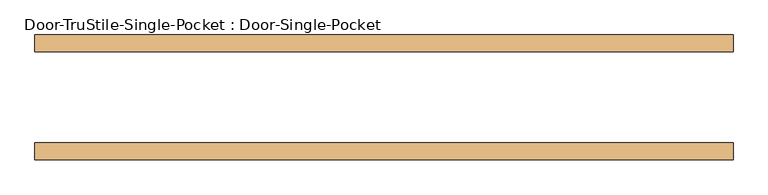
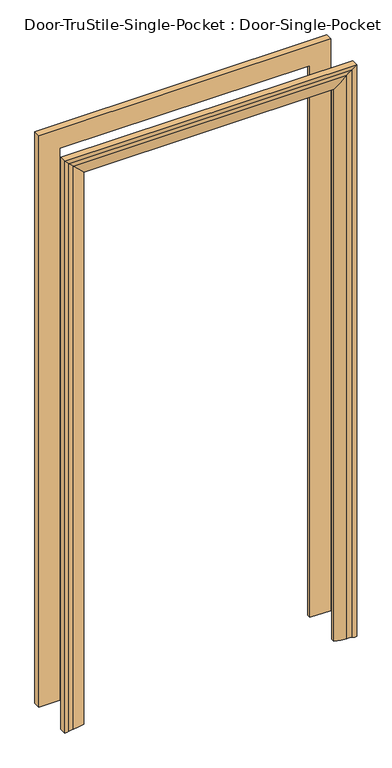
"""IFC4 building model written with IfcOpenShell, lengths in millimetres: door geometry, Door-TruStile-Single-Pocket : Door-Single-Pocket."""

from ifc_helpers import new_model, si_unit, frame, origin, place, context, project, spatial, polyline, circle_curve, ellipse_curve, source, transform, mapped, element, save
from ifc_brep_helpers import plane_surface, cylinder_surface, revolved_surface, advanced_brep


def door_trustile_single_pocket_door_single_pocket_2fc93507(model_context):
    return source(origin(), model_context, "Body", "AdvancedBrep", [
        advanced_brep(
        [(-533.4, -69.85, 0.0), (-457.2, -69.85, 0.0), (-457.2, -82.55, 0.0), (-500.4091669, -89.656654, 0.0), (-517.9106804, -92.7334981, 0.0), (-533.4, -95.25, 0.0), (-533.4, -69.85, 2209.8), (533.4, -69.85, 2209.8), (533.4, -69.85, 0.0), (457.2, -69.85, 0.0), (457.2, -69.85, 2133.6), (-457.2, -69.85, 2133.6), (-457.2, -82.55, 2133.6), (-500.4091669, -89.656654, 2176.8091669), (-517.9106804, -92.7334981, 2194.3106804), (-533.4, -95.25, 2209.8), (533.4, -95.25, 2209.8), (533.4, -95.25, 0.0), (517.9106804, -92.7334981, 0.0), (500.4091669, -89.656654, 0.0), (457.2, -82.55, 0.0), (457.2, -82.55, 2133.6), (517.9106804, -92.7334981, 2194.3106804), (500.4091669, -89.656654, 2176.8091669)],
        [
            (0, 1),
            (1, 2),
            (2, 3, circle_curve(frame((-500.6371432, 46.6408202, 0.0), z_axis=(0.0, 0.0, -1.0), x_axis=(-1.0, 0.0, 0.0)), 136.2976648)),
            (3, 4, circle_curve(frame((-500.3225129, -141.4634863, 0.0), z_axis=(0.0, 0.0, 1.0), x_axis=(-1.0, 0.0, 0.0)), 51.8069048)),
            (4, 5, circle_curve(frame((-532.3670501, -52.6805064, 0.0), z_axis=(0.0, 0.0, -1.0), x_axis=(-1.0, 0.0, 0.0)), 42.582024)),
            (5, 0),
            (0, 6),
            (6, 7),
            (7, 8),
            (8, 9),
            (9, 10),
            (10, 11),
            (11, 1),
            (11, 12),
            (12, 2),
            (12, 13, ellipse_curve(frame((-500.6371432, 46.6408202, 2177.0371432), z_axis=(-0.707106781186552, 0.0, -0.707106781186543), x_axis=(0.7071067811865429, 0.0, -0.707106781186552)), 192.7540061, 136.2976648)),
            (13, 3),
            (13, 14, ellipse_curve(frame((-500.3225129, -141.4634863, 2176.7225129), z_axis=(0.707106781186552, 0.0, 0.707106781186543), x_axis=(-0.7071067811865429, 0.0, 0.707106781186552)), 73.2660273, 51.8069048)),
            (14, 4),
            (14, 15, ellipse_curve(frame((-532.3670501, -52.6805064, 2208.7670501), z_axis=(-0.707106781186552, 0.0, -0.707106781186543), x_axis=(0.7071067811865429, 0.0, -0.707106781186552)), 60.2200758, 42.582024)),
            (15, 5),
            (15, 6),
            (7, 16),
            (16, 17),
            (17, 8),
            (17, 18, circle_curve(frame((532.3670501, -52.6805064, 0.0), z_axis=(0.0, 0.0, -1.0), x_axis=(1.0, 0.0, 0.0)), 42.582024)),
            (18, 19, circle_curve(frame((500.3225129, -141.4634863, 0.0), z_axis=(0.0, 0.0, 1.0), x_axis=(1.0, 0.0, 0.0)), 51.8069048)),
            (19, 20, circle_curve(frame((500.6371432, 46.6408202, 0.0), z_axis=(0.0, 0.0, -1.0), x_axis=(1.0, 0.0, 0.0)), 136.2976648)),
            (20, 9),
            (21, 10),
            (20, 21),
            (16, 22, ellipse_curve(frame((532.3670501, -52.6805064, 2208.7670501), z_axis=(0.707106781186543, 0.0, -0.707106781186552), x_axis=(0.707106781186552, 0.0, 0.7071067811865429)), 60.2200758, 42.582024)),
            (22, 18),
            (22, 23, ellipse_curve(frame((500.3225129, -141.4634863, 2176.7225129), z_axis=(-0.707106781186543, 0.0, 0.707106781186552), x_axis=(-0.707106781186552, 0.0, -0.7071067811865429)), 73.2660273, 51.8069048)),
            (23, 19),
            (23, 21, ellipse_curve(frame((500.6371432, 46.6408202, 2177.0371432), z_axis=(0.707106781186543, 0.0, -0.707106781186552), x_axis=(0.707106781186552, 0.0, 0.7071067811865429)), 192.7540061, 136.2976648)),
            (15, 16),
            (14, 22),
            (13, 23),
            (12, 21),
        ],
        [
            plane_surface(frame((-457.2, -69.85, 0.0), z_axis=(0.0, 0.0, -1.0), x_axis=(0.0, 1.0, 0.0))),
            plane_surface(frame((-533.4, -69.85, 0.0), z_axis=(0.0, 1.0, 0.0), x_axis=(0.0, 0.0, 1.0))),
            plane_surface(frame((-457.2, -69.85, 0.0), z_axis=(1.0, 0.0, 0.0), x_axis=(0.0, 0.0, 1.0))),
            cylinder_surface(frame((-500.6371432, 46.6408202, 0.0), z_axis=(0.0, 0.0, -1.0), x_axis=(-1.0, 0.0, 0.0)), 136.2976648),
            revolved_surface(polyline([(-552.1294177, -141.4634863, 2228.5294176344287), (-552.1294177, -141.4634863, 0.0)]), (-500.3225129, -141.4634863, 0.0), (0.0, 0.0, 1.0)),
            cylinder_surface(frame((-532.3670501, -52.6805064, 0.0), z_axis=(0.0, 0.0, -1.0), x_axis=(-1.0, 0.0, 0.0)), 42.582024),
            plane_surface(frame((-533.4, -95.25, 0.0), z_axis=(-1.0, 0.0, 0.0), x_axis=(0.0, 0.0, 1.0))),
            plane_surface(frame((533.4, -95.25, 2209.8), z_axis=(1.0, 0.0, 0.0), x_axis=(0.0, 0.0, -1.0))),
            plane_surface(frame((457.2, -69.85, 0.0), z_axis=(0.0, 0.0, -1.0), x_axis=(0.0, 1.0, 0.0))),
            plane_surface(frame((457.2, -69.85, 2133.6), z_axis=(-1.0, 0.0, 0.0), x_axis=(0.0, 0.0, -1.0))),
            cylinder_surface(frame((532.3670501, -52.6805064, 2133.6), z_axis=(0.0, 0.0, 1.0), x_axis=(1.0, 0.0, 0.0)), 42.582024),
            revolved_surface(polyline([(552.1294177, -141.4634863, 0.0), (552.1294177, -141.4634863, 2228.5294176344282)]), (500.3225129, -141.4634863, 2133.6), (0.0, 0.0, -1.0)),
            cylinder_surface(frame((500.6371432, 46.6408202, 2133.6), z_axis=(0.0, 0.0, 1.0), x_axis=(1.0, 0.0, 0.0)), 136.2976648),
            plane_surface(frame((-533.4, -95.25, 2209.8), z_axis=(0.0, 0.0, 1.0), x_axis=(1.0, 0.0, 0.0))),
            cylinder_surface(frame((-457.2, -52.6805064, 2208.7670501), z_axis=(-1.0, 0.0, 0.0), x_axis=(0.0, 0.0, 1.0)), 42.582024),
            revolved_surface(polyline([(552.129417634429, -141.4634863, 2228.5294177), (-552.1294176344284, -141.4634863, 2228.5294177)]), (-457.2, -141.4634863, 2176.7225129), (1.0, 0.0, 0.0)),
            cylinder_surface(frame((-457.2, 46.6408202, 2177.0371432), z_axis=(-1.0, 0.0, 0.0), x_axis=(0.0, 0.0, 1.0)), 136.2976648),
            plane_surface(frame((-457.2, -69.85, 2133.6), z_axis=(0.0, 0.0, -1.0), x_axis=(1.0, 0.0, 0.0))),
        ],
        [
            (0, [[1, 2, 3, 4, 5, 6]]),
            (1, [[-1, 7, 8, 9, 10, 11, 12, 13]]),
            (2, [[-2, -13, 14, 15]]),
            (3, [[-3, -15, 16, 17]]),
            (4, [[-4, -17, 18, 19]]),
            (5, [[-5, -19, 20, 21]]),
            (6, [[-6, -21, 22, -7]]),
            (7, [[23, 24, 25, -9]]),
            (8, [[-25, 26, 27, 28, 29, -10]]),
            (9, [[30, -11, -29, 31]]),
            (10, [[32, 33, -26, -24]]),
            (11, [[34, 35, -27, -33]]),
            (12, [[36, -31, -28, -35]]),
            (13, [[-22, 37, -23, -8]]),
            (14, [[-20, 38, -32, -37]]),
            (15, [[-18, 39, -34, -38]]),
            (16, [[-16, 40, -36, -39]]),
            (17, [[-14, -12, -30, -40]]),
        ],
    ),
        advanced_brep(
        [(-533.4, 69.85, 0.0), (-533.4, 95.25, 0.0), (-517.9106804, 92.7334981, 0.0), (-500.4091669, 89.656654, 0.0), (-457.2, 82.55, 0.0), (-457.2, 69.85, 0.0), (-533.4, 69.85, 2209.8), (-533.4, 95.25, 2209.8), (-517.9106804, 92.7334981, 2194.3106804), (-500.4091669, 89.656654, 2176.8091669), (-457.2, 82.55, 2133.6), (-457.2, 69.85, 2133.6), (457.2, 69.85, 2133.6), (457.2, 69.85, 0.0), (533.4, 69.85, 0.0), (533.4, 69.85, 2209.8), (457.2, 82.55, 2133.6), (457.2, 82.55, 0.0), (500.4091669, 89.656654, 0.0), (517.9106804, 92.7334981, 0.0), (533.4, 95.25, 0.0), (533.4, 95.25, 2209.8), (500.4091669, 89.656654, 2176.8091669), (517.9106804, 92.7334981, 2194.3106804)],
        [
            (0, 1),
            (1, 2, circle_curve(frame((-532.3670501, 52.6805064, 0.0), z_axis=(0.0, 0.0, -1.0), x_axis=(-1.0, 0.0, 0.0)), 42.582024)),
            (2, 3, circle_curve(frame((-500.3225129, 141.4634863, 0.0), z_axis=(0.0, 0.0, 1.0), x_axis=(-1.0, 0.0, 0.0)), 51.8069048)),
            (3, 4, circle_curve(frame((-500.6371432, -46.6408202, 0.0), z_axis=(0.0, 0.0, -1.0), x_axis=(-1.0, 0.0, 0.0)), 136.2976648)),
            (4, 5),
            (5, 0),
            (0, 6),
            (6, 7),
            (7, 1),
            (7, 8, ellipse_curve(frame((-532.3670501, 52.6805064, 2208.7670501), z_axis=(-0.707106781186543, 0.0, -0.707106781186552), x_axis=(0.707106781186552, 0.0, -0.7071067811865429)), 60.2200758, 42.582024)),
            (8, 2),
            (8, 9, ellipse_curve(frame((-500.3225129, 141.4634863, 2176.7225129), z_axis=(0.707106781186543, 0.0, 0.707106781186552), x_axis=(-0.707106781186552, 0.0, 0.7071067811865429)), 73.2660273, 51.8069048)),
            (9, 3),
            (9, 10, ellipse_curve(frame((-500.6371432, -46.6408202, 2177.0371432), z_axis=(-0.707106781186543, 0.0, -0.707106781186552), x_axis=(0.707106781186552, 0.0, -0.7071067811865429)), 192.7540061, 136.2976648)),
            (10, 4),
            (10, 11),
            (11, 5),
            (11, 12),
            (12, 13),
            (13, 14),
            (14, 15),
            (15, 6),
            (12, 16),
            (16, 17),
            (17, 13),
            (17, 18, circle_curve(frame((500.6371432, -46.6408202, 0.0), z_axis=(0.0, 0.0, -1.0), x_axis=(1.0, 0.0, 0.0)), 136.2976648)),
            (18, 19, circle_curve(frame((500.3225129, 141.4634863, 0.0), z_axis=(0.0, 0.0, 1.0), x_axis=(1.0, 0.0, 0.0)), 51.8069048)),
            (19, 20, circle_curve(frame((532.3670501, 52.6805064, 0.0), z_axis=(0.0, 0.0, -1.0), x_axis=(1.0, 0.0, 0.0)), 42.582024)),
            (20, 14),
            (21, 15),
            (20, 21),
            (16, 22, ellipse_curve(frame((500.6371432, -46.6408202, 2177.0371432), z_axis=(0.707106781186552, 0.0, -0.707106781186543), x_axis=(0.7071067811865429, 0.0, 0.707106781186552)), 192.7540061, 136.2976648)),
            (22, 18),
            (22, 23, ellipse_curve(frame((500.3225129, 141.4634863, 2176.7225129), z_axis=(-0.707106781186552, 0.0, 0.707106781186543), x_axis=(-0.7071067811865429, 0.0, -0.707106781186552)), 73.2660273, 51.8069048)),
            (23, 19),
            (23, 21, ellipse_curve(frame((532.3670501, 52.6805064, 2208.7670501), z_axis=(0.707106781186552, 0.0, -0.707106781186543), x_axis=(0.7071067811865429, 0.0, 0.707106781186552)), 60.2200758, 42.582024)),
            (21, 7),
            (23, 8),
            (22, 9),
            (16, 10),
        ],
        [
            plane_surface(frame((-457.2, 69.85, 0.0), z_axis=(0.0, 0.0, -1.0), x_axis=(0.0, 1.0, 0.0))),
            plane_surface(frame((-533.4, 69.85, 0.0), z_axis=(-1.0, 0.0, 0.0), x_axis=(0.0, 0.0, 1.0))),
            cylinder_surface(frame((-532.3670501, 52.6805064, 0.0), z_axis=(0.0, 0.0, -1.0), x_axis=(-1.0, 0.0, 0.0)), 42.582024),
            revolved_surface(polyline([(-552.1294177, 141.4634863, 2228.5294176344282), (-552.1294177, 141.4634863, 0.0)]), (-500.3225129, 141.4634863, 0.0), (0.0, 0.0, 1.0)),
            cylinder_surface(frame((-500.6371432, -46.6408202, 0.0), z_axis=(0.0, 0.0, -1.0), x_axis=(-1.0, 0.0, 0.0)), 136.2976648),
            plane_surface(frame((-457.2, 82.55, 0.0), z_axis=(1.0, 0.0, 0.0), x_axis=(0.0, 0.0, 1.0))),
            plane_surface(frame((-457.2, 69.85, 0.0), z_axis=(0.0, -1.0, 0.0), x_axis=(0.0, 0.0, 1.0))),
            plane_surface(frame((457.2, 82.55, 2133.6), z_axis=(-1.0, 0.0, 0.0), x_axis=(0.0, 0.0, -1.0))),
            plane_surface(frame((457.2, 69.85, 0.0), z_axis=(0.0, 0.0, -1.0), x_axis=(0.0, 1.0, 0.0))),
            plane_surface(frame((533.4, 69.85, 2209.8), z_axis=(1.0, 0.0, 0.0), x_axis=(0.0, 0.0, -1.0))),
            cylinder_surface(frame((500.6371432, -46.6408202, 2133.6), z_axis=(0.0, 0.0, 1.0), x_axis=(1.0, 0.0, 0.0)), 136.2976648),
            revolved_surface(polyline([(552.1294177, 141.4634863, 0.0), (552.1294177, 141.4634863, 2228.5294176344287)]), (500.3225129, 141.4634863, 2133.6), (0.0, 0.0, -1.0)),
            cylinder_surface(frame((532.3670501, 52.6805064, 2133.6), z_axis=(0.0, 0.0, 1.0), x_axis=(1.0, 0.0, 0.0)), 42.582024),
            plane_surface(frame((-533.4, 69.85, 2209.8), z_axis=(0.0, 0.0, 1.0), x_axis=(1.0, 0.0, 0.0))),
            cylinder_surface(frame((-457.2, 52.6805064, 2208.7670501), z_axis=(-1.0, 0.0, 0.0), x_axis=(0.0, 0.0, 1.0)), 42.582024),
            revolved_surface(polyline([(552.1294176344284, 141.4634863, 2228.5294177), (-552.129417634429, 141.4634863, 2228.5294177)]), (-457.2, 141.4634863, 2176.7225129), (1.0, 0.0, 0.0)),
            cylinder_surface(frame((-457.2, -46.6408202, 2177.0371432), z_axis=(-1.0, 0.0, 0.0), x_axis=(0.0, 0.0, 1.0)), 136.2976648),
            plane_surface(frame((-457.2, 82.55, 2133.6), z_axis=(0.0, 0.0, -1.0), x_axis=(1.0, 0.0, 0.0))),
        ],
        [
            (0, [[1, 2, 3, 4, 5, 6]]),
            (1, [[-1, 7, 8, 9]]),
            (2, [[-2, -9, 10, 11]]),
            (3, [[-3, -11, 12, 13]]),
            (4, [[-4, -13, 14, 15]]),
            (5, [[-5, -15, 16, 17]]),
            (6, [[-6, -17, 18, 19, 20, 21, 22, -7]]),
            (7, [[23, 24, 25, -19]]),
            (8, [[-20, -25, 26, 27, 28, 29]]),
            (9, [[30, -21, -29, 31]]),
            (10, [[32, 33, -26, -24]]),
            (11, [[34, 35, -27, -33]]),
            (12, [[36, -31, -28, -35]]),
            (13, [[-8, -22, -30, 37]]),
            (14, [[-10, -37, -36, 38]]),
            (15, [[-12, -38, -34, 39]]),
            (16, [[-14, -39, -32, 40]]),
            (17, [[-16, -40, -23, -18]]),
        ],
    ),
    ])


if __name__ == "__main__":
    model = new_model("IFC4")
    model_context = context("Model", 3, world=origin())
    ifc_project = project(units=[si_unit("LENGTHUNIT", "METRE", prefix="MILLI")], contexts=[model_context])
    site = spatial("IfcSite", under=ifc_project)
    building = spatial("IfcBuilding", under=site)
    placement = place(None, origin())
    door_trustile_single_pocket_door_single_pocket_shape = door_trustile_single_pocket_door_single_pocket_2fc93507(model_context)
    element("IfcDoor", 1, ObjectType="Door-TruStile-Single-Pocket : Door-Single-Pocket", at=placement, inside=building, context=model_context, shape_type="MappedRepresentation", body=[
        mapped(door_trustile_single_pocket_door_single_pocket_shape, transform((0.0, 0.0, 0.0), x_axis=(1.0, 0.0, 0.0), y_axis=(0.0, 1.0, 0.0), z_axis=(0.0, 0.0, 1.0))),
    ])
    save(model, "model.ifc")
